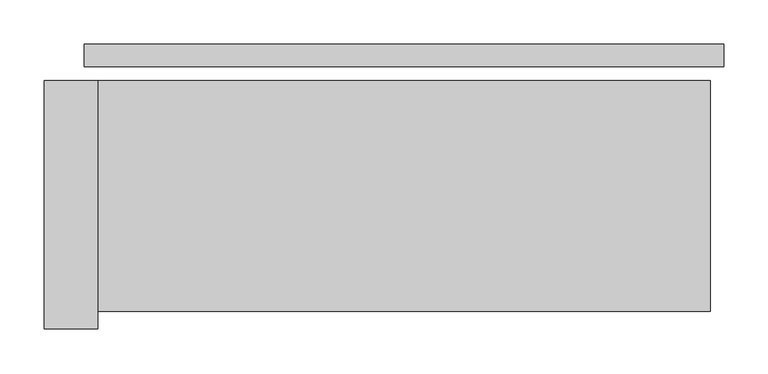
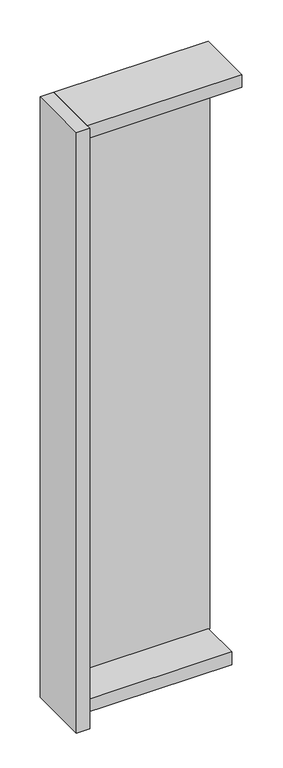
"""IFC4 building model written with IfcOpenShell, lengths in millimetres: plate geometry."""

from ifc_helpers import new_model, si_unit, frame, origin, origin_with_axes, place, context, project, spatial, polyline, outline, extrude, source, transform, mapped, element, save


def plate_aff3dc92(model_context):
    return source(origin(), model_context, "Body", "SweptSolid", [
        extrude(outline(polyline([(360.0, 0.0), (360.0, -25.0), (-360.0, -25.0), (-360.0, 0.0), (360.0, 0.0)])), origin_with_axes(), (0.0, 0.0, 1.0), 2742.0),
        extrude(outline(polyline([(-345.0, -41.0), (-345.0, -321.0), (-405.0, -321.0), (-405.0, -41.0), (-345.0, -41.0)])), frame((0.0, 0.0, -45.0), z_axis=(0.0, 0.0, 1.0), x_axis=(1.0, 0.0, 0.0)), (0.0, 0.0, 1.0), 2832.0),
        extrude(outline(polyline([(345.0, -221.0), (-345.0, -221.0), (-345.0, -41.0), (345.0, -41.0), (345.0, -221.0)])), frame((0.0, 0.0, -45.0), z_axis=(0.0, 0.0, 1.0), x_axis=(1.0, 0.0, 0.0)), (0.0, 0.0, 1.0), 60.0),
        extrude(outline(polyline([(345.0, -41.0), (345.0, -301.0), (-345.0, -301.0), (-345.0, -41.0), (345.0, -41.0)])), frame((0.0, 0.0, 2727.0), z_axis=(0.0, 0.0, 1.0), x_axis=(1.0, 0.0, 0.0)), (0.0, 0.0, 1.0), 60.0),
    ])


if __name__ == "__main__":
    model = new_model("IFC4")
    model_context = context("Model", 3, world=origin())
    ifc_project = project(units=[si_unit("LENGTHUNIT", "METRE", prefix="MILLI")], contexts=[model_context])
    site = spatial("IfcSite", under=ifc_project)
    building = spatial("IfcBuilding", under=site)
    placement = place(None, origin())
    plate_shape = plate_aff3dc92(model_context)
    element("IfcPlate", 1, at=placement, inside=building, context=model_context, shape_type="MappedRepresentation", body=[
        mapped(plate_shape, transform((0.0, 0.0, 0.0), x_axis=(1.0, 0.0, 0.0), y_axis=(0.0, 1.0, 0.0), z_axis=(0.0, 0.0, 1.0))),
    ])
    save(model, "model.ifc")
